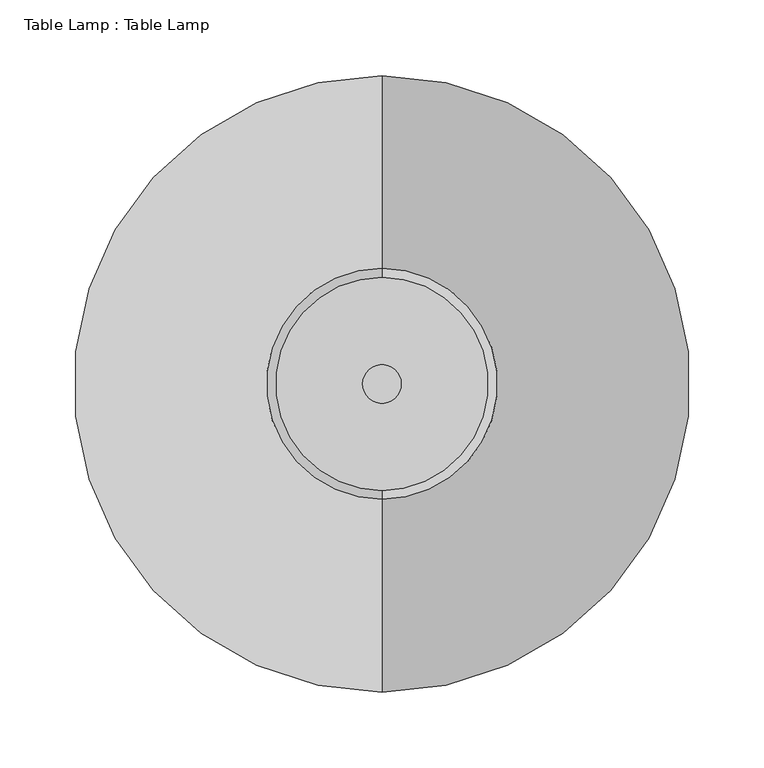
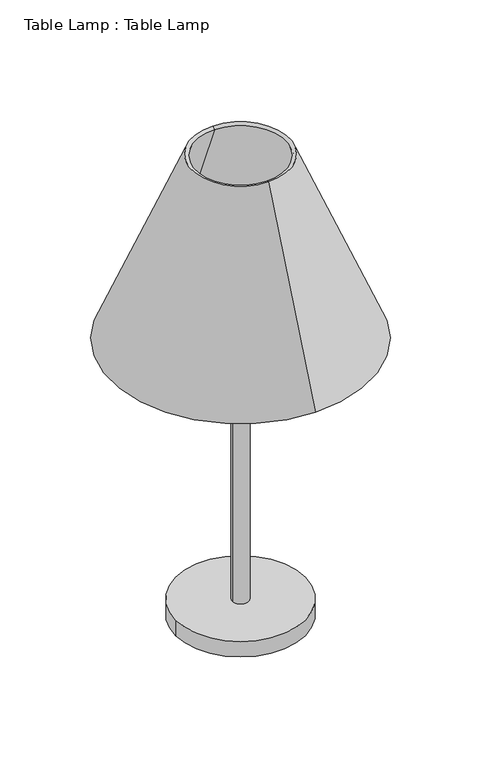
"""IFC4 building model written with IfcOpenShell, lengths in millimetres: proxy geometry, Table Lamp : Table Lamp."""

from ifc_helpers import new_model, si_unit, point, frame, origin, origin_with_axes, origin_2d, place, context, project, spatial, polyline, circle_curve, trimmed, segment, composite_curve, outline, extrude, source, transform, mapped, element, save
from ifc_brep_helpers import revolved_surface, advanced_brep


def table_lamp_table_lamp_437d634a(model_context):
    return source(origin(), model_context, "Body", "SolidModel", [
        advanced_brep(
        [(0.0, -203.2, 457.2), (0.0, -76.2, 762.0), (0.0, 76.2, 762.0), (0.0, 203.2, 457.2), (0.0, -197.3384615, 454.7576923), (0.0, 197.3384615, 454.7576923), (0.0, -70.3384615, 759.5576923), (0.0, 70.3384615, 759.5576923)],
        [
            (0, 1),
            (1, 2, circle_curve(frame((0.0, 0.0, 762.0), z_axis=(0.0, 0.0, -1.0), x_axis=(0.0, 1.0, 0.0)), 76.2)),
            (2, 3),
            (3, 0, circle_curve(frame((0.0, 0.0, 457.2), z_axis=(0.0, 0.0, 1.0), x_axis=(0.0, 1.0, 0.0)), 203.2)),
            (2, 1, circle_curve(frame((0.0, 0.0, 762.0), z_axis=(0.0, 0.0, -1.0), x_axis=(0.0, 1.0, 0.0)), 76.2)),
            (0, 3, circle_curve(frame((0.0, 0.0, 457.2), z_axis=(0.0, 0.0, 1.0), x_axis=(0.0, 1.0, 0.0)), 203.2)),
            (4, 0),
            (3, 5),
            (5, 4, circle_curve(frame((0.0, 0.0, 454.7576923), z_axis=(0.0, 0.0, 1.0), x_axis=(0.0, 1.0, 0.0)), 197.3384615)),
            (4, 5, circle_curve(frame((0.0, 0.0, 454.7576923), z_axis=(0.0, 0.0, 1.0), x_axis=(0.0, 1.0, 0.0)), 197.3384615)),
            (6, 4),
            (5, 7),
            (7, 6, circle_curve(frame((0.0, 0.0, 759.5576923), z_axis=(0.0, 0.0, 1.0), x_axis=(0.0, 1.0, 0.0)), 70.3384615)),
            (6, 7, circle_curve(frame((0.0, 0.0, 759.5576923), z_axis=(0.0, 0.0, 1.0), x_axis=(0.0, 1.0, 0.0)), 70.3384615)),
            (1, 6),
            (7, 2),
        ],
        [
            revolved_surface(polyline([(0.0, 76.2, 762.0), (0.0, 203.2, 457.2)]), (0.0, 0.0, 762.0), (0.0, 0.0, -1.0)),
            revolved_surface(polyline([(0.0, 203.2, 457.2), (0.0, 197.3384615, 454.7576923)]), (0.0, 0.0, 762.0), (0.0, 0.0, -1.0)),
            revolved_surface(polyline([(0.0, 197.3384615, 454.7576923), (0.0, 70.3384615, 759.5576923)]), (0.0, 0.0, 762.0), (0.0, 0.0, -1.0)),
            revolved_surface(polyline([(0.0, 70.3384615, 759.5576923), (0.0, 76.2, 762.0)]), (0.0, 0.0, 762.0), (0.0, 0.0, -1.0)),
        ],
        [
            (0, [[1, 2, 3, 4]]),
            (0, [[-3, 5, -1, 6]]),
            (1, [[7, -4, 8, 9]]),
            (1, [[-8, -6, -7, 10]]),
            (2, [[11, -9, 12, 13]]),
            (2, [[-12, -10, -11, 14]]),
            (3, [[15, -13, 16, -2]]),
            (3, [[-16, -14, -15, -5]]),
        ],
    ),
        extrude(outline(composite_curve([segment(trimmed(circle_curve(origin_2d(), 12.7), [point((-12.7, 0.0))], [point((12.7, 0.0))], False, "CARTESIAN"), True, "CONTINUOUS"), segment(trimmed(circle_curve(origin_2d(), 12.7), [point((12.7, 0.0))], [point((-12.7, 0.0))], False, "CARTESIAN"), True, "CONTINUOUS")], self_intersect=False)), frame((0.0, 0.0, 25.4), z_axis=(0.0, 0.0, 1.0), x_axis=(1.0, 0.0, 0.0)), (0.0, 0.0, 1.0), 533.4),
        extrude(outline(composite_curve([segment(trimmed(circle_curve(origin_2d(), 101.6), [point((-101.6, 0.0))], [point((101.6, 0.0))], False, "CARTESIAN"), True, "CONTINUOUS"), segment(trimmed(circle_curve(origin_2d(), 101.6), [point((101.6, 0.0))], [point((-101.6, 0.0))], False, "CARTESIAN"), True, "CONTINUOUS")], self_intersect=False)), origin_with_axes(), (0.0, 0.0, 1.0), 25.4),
    ])


if __name__ == "__main__":
    model = new_model("IFC4")
    model_context = context("Model", 3, world=origin())
    ifc_project = project(units=[si_unit("LENGTHUNIT", "METRE", prefix="MILLI")], contexts=[model_context])
    site = spatial("IfcSite", under=ifc_project)
    building = spatial("IfcBuilding", under=site)
    placement = place(None, origin())
    table_lamp_table_lamp_shape = table_lamp_table_lamp_437d634a(model_context)
    element("IfcBuildingElementProxy", 1, Name="Table Lamp : Table Lamp", ObjectType="Table Lamp : Table Lamp", at=placement, inside=building, context=model_context, shape_type="MappedRepresentation", body=[
        mapped(table_lamp_table_lamp_shape, transform((0.0, 0.0, 0.0), x_axis=(1.0, 0.0, 0.0), y_axis=(0.0, 1.0, 0.0), z_axis=(0.0, 0.0, 1.0))),
    ])
    save(model, "model.ifc")
